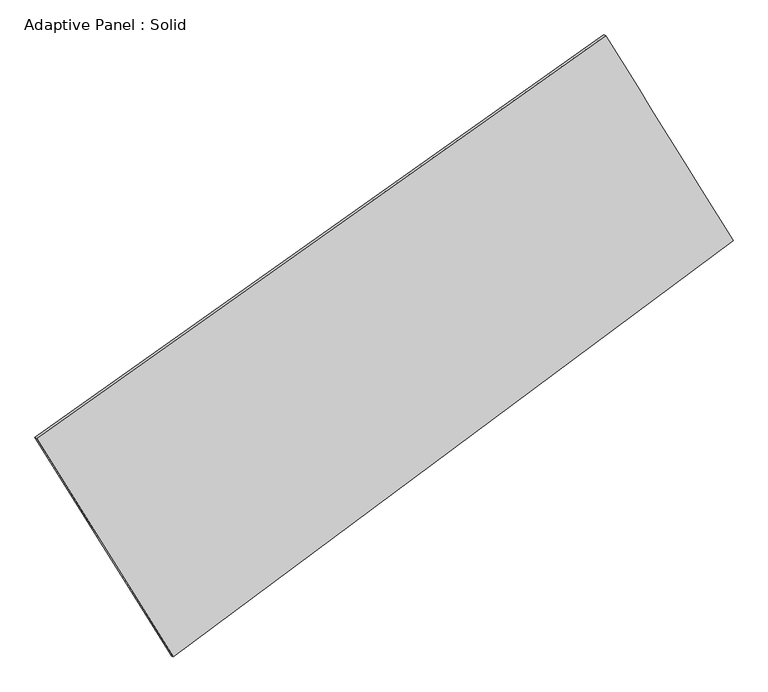
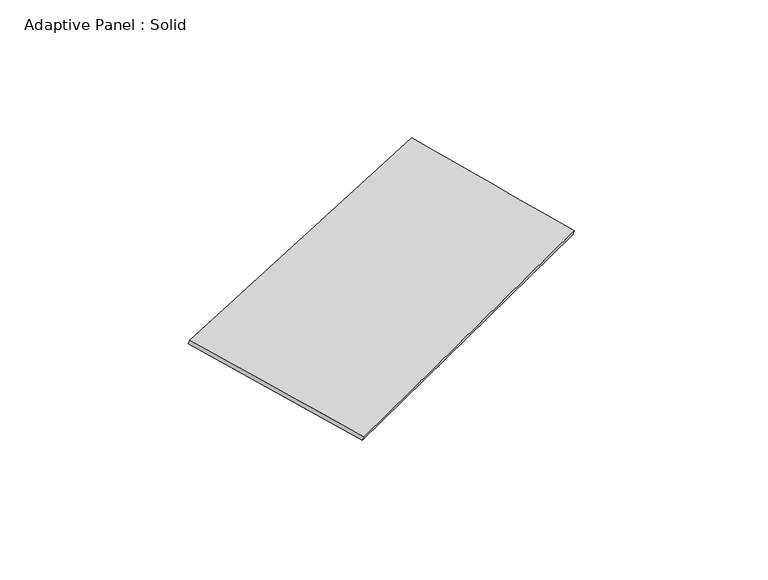
"""IFC4 building model written with IfcOpenShell, lengths in millimetres: plate geometry, Adaptive Panel : Solid."""

import ifcopenshell
import ifcopenshell.guid

model = None  # the IFC model being written
_history = None  # IfcOwnerHistory: only IFC2X3 demands one
_inside = {}  # id of a spatial element -> (the spatial element, [elements in it])
_under = {}  # id of a project, library or spatial element -> (it, [spatial elements below it])
_declared = {}  # id of a project -> (the project, [libraries it declares])
_typed = {}  # id of a type object -> (the type object, [elements of that type])
_made_of = {}  # id of a material, layer set ... -> (it, [elements and type objects made of it])


def new_model(schema):
    """Start an empty IFC model of exactly this schema.

    Asked for "IFC4X3", IfcOpenShell would pick the latest addendum, in which some entities
    have other attributes; the version numbers below select the first issue.
    IFC2X3 requires an IfcOwnerHistory on every rooted entity: one is made here for all.
    """
    global model, _history
    if schema == "IFC4X3":
        model = ifcopenshell.file(schema_version=(4, 3, 0, 0))
    else:
        model = ifcopenshell.file(schema=schema)
    _inside.clear()
    _under.clear()
    _declared.clear()
    _typed.clear()
    _made_of.clear()
    _history = None
    if model.schema == "IFC2X3":
        org = make("IfcOrganization", Name="unknown")
        user = make(
            "IfcPersonAndOrganization",
            ThePerson=make("IfcPerson", FamilyName="unknown"),
            TheOrganization=org,
        )
        app = make(
            "IfcApplication",
            ApplicationDeveloper=org,
            Version="unknown",
            ApplicationFullName="unknown",
            ApplicationIdentifier="unknown",
        )
        _history = make(
            "IfcOwnerHistory",
            OwningUser=user,
            OwningApplication=app,
            ChangeAction="ADDED",
            CreationDate=0,
        )
    return model


def make(cls, **values):
    """One entity of the class cls with the attributes given. An attribute that is None is left unset."""
    return model.create_entity(
        cls, **{name: value for name, value in values.items() if value is not None}
    )


def rooted(cls, **values):
    """An entity with a GlobalId (a new one), such as an element, a storey or a relation."""
    return make(cls, GlobalId=ifcopenshell.guid.new(), OwnerHistory=_history, **values)


def si_unit(unit_type, name, prefix=None):
    """IfcSIUnit, for example si_unit("LENGTHUNIT", "METRE", prefix="MILLI")."""
    return make("IfcSIUnit", UnitType=unit_type, Prefix=prefix, Name=name)


def assignment(units):
    """IfcUnitAssignment: the units of a project."""
    return None if units is None else make("IfcUnitAssignment", Units=units)


def point(xyz):
    """IfcCartesianPoint."""
    return None if xyz is None else make("IfcCartesianPoint", Coordinates=xyz)


def direction(xyz):
    """IfcDirection."""
    return None if xyz is None else make("IfcDirection", DirectionRatios=xyz)


def frame(location, z_axis=None, x_axis=None):
    """IfcAxis2Placement3D, a coordinate frame: its origin and axes. An axis left out is left unset."""
    return make(
        "IfcAxis2Placement3D",
        Location=point(location),
        Axis=direction(z_axis),
        RefDirection=direction(x_axis),
    )


def origin():
    """The frame at (0, 0, 0) with its axes left unset."""
    return frame((0.0, 0.0, 0.0))


def place(relative_to, where):
    """IfcLocalPlacement: puts the frame where relative to a parent placement (None: the world)."""
    return make(
        "IfcLocalPlacement", PlacementRelTo=relative_to, RelativePlacement=where
    )


def context(
    kind, dimensions, precision=None, world=None, true_north=None, identifier=None
):
    """IfcGeometricRepresentationContext, for example the 3D "Model" context."""
    return make(
        "IfcGeometricRepresentationContext",
        ContextIdentifier=identifier,
        ContextType=kind,
        CoordinateSpaceDimension=dimensions,
        Precision=precision,
        WorldCoordinateSystem=world,
        TrueNorth=true_north,
    )


def project(units=None, contexts=None):
    """IfcProject with its units and contexts."""
    return rooted(
        "IfcProject",
        Name="project",
        RepresentationContexts=contexts,
        UnitsInContext=assignment(units),
    )


def spatial(cls, under=None, at=None, **own):
    """A site, building, storey or space (cls), placed at a placement, below another one or the project."""
    s = rooted(cls, ObjectPlacement=at, **own)
    if under is not None:
        _under.setdefault(under.id(), (under, []))[1].append(s)
    return s


def shape(context_of_items, identifier, shape_type, items):
    """IfcShapeRepresentation: the items that make up one representation, for example the "Body"."""
    return make(
        "IfcShapeRepresentation",
        ContextOfItems=context_of_items,
        RepresentationIdentifier=identifier,
        RepresentationType=shape_type,
        Items=items,
    )


def source(mapping_origin, context_of_items, identifier, shape_type, items):
    """IfcRepresentationMap: a shape defined once, which mapped items show again and again."""
    return make(
        "IfcRepresentationMap",
        MappingOrigin=mapping_origin,
        MappedRepresentation=shape(context_of_items, identifier, shape_type, items),
    )


def transform(
    local_origin,
    x_axis=None,
    y_axis=None,
    z_axis=None,
    scale=None,
    scale2=None,
    scale3=None,
    uniform=True,
):
    """IfcCartesianTransformationOperator3D, or its non-uniform kind. x_axis, y_axis, z_axis: its Axis1, 2, 3."""
    if uniform:
        return make(
            "IfcCartesianTransformationOperator3D",
            Axis1=direction(x_axis),
            Axis2=direction(y_axis),
            LocalOrigin=point(local_origin),
            Scale=scale,
            Axis3=direction(z_axis),
        )
    return make(
        "IfcCartesianTransformationOperator3DnonUniform",
        Axis1=direction(x_axis),
        Axis2=direction(y_axis),
        LocalOrigin=point(local_origin),
        Scale=scale,
        Axis3=direction(z_axis),
        Scale2=scale2,
        Scale3=scale3,
    )


def mapped(mapping_source, mapping_target):
    """IfcMappedItem: shows the shape of a source again, moved by a transform."""
    return make(
        "IfcMappedItem", MappingSource=mapping_source, MappingTarget=mapping_target
    )


def made_of(thing, what):
    """Note that an element or type object is made of a material, layer set ...; save() writes the relation."""
    if what is not None:
        _made_of.setdefault(what.id(), (what, []))[1].append(thing)
    return thing


def element(
    cls,
    number,
    at=None,
    inside=None,
    cuts=None,
    type_object=None,
    material=None,
    context=None,
    identifier="Body",
    shape_type=None,
    held_by="IfcProductDefinitionShape",
    body=None,
    shapes=None,
    **own,
):
    """One element of the class cls, such as IfcWall. Its Tag is "e" and its number.

    at: its placement. inside: the storey or other place that contains it. cuts: it is an
    opening in that element (IfcRelVoidsElement). A single representation is given by context,
    identifier, shape_type and body (its items); several are given by shapes. held_by: the class
    of the entity that holds the representations. save() writes the other relations.
    """
    e = rooted(cls, Tag="e%d" % number, ObjectPlacement=at, **own)
    if body is not None:
        shapes = [shape(context, identifier, shape_type, body)]
    if shapes is not None:
        e.Representation = make(held_by, Representations=shapes)
    if inside is not None:
        _inside.setdefault(inside.id(), (inside, []))[1].append(e)
    if cuts is not None:
        rooted(
            "IfcRelVoidsElement", RelatingBuildingElement=cuts, RelatedOpeningElement=e
        )
    if type_object is not None:
        _typed.setdefault(type_object.id(), (type_object, []))[1].append(e)
    return made_of(e, material)


def aggregate(whole, parts):
    """IfcRelAggregates: a whole, such as a stair, and the parts it consists of."""
    return rooted("IfcRelAggregates", RelatingObject=whole, RelatedObjects=parts)


def save(model, path):
    """Write the relations noted so far, then the file.

    IfcRelAggregates (storeys below a building ...), IfcRelContainedInSpatialStructure (elements
    in a storey), IfcRelDefinesByType, IfcRelAssociatesMaterial and IfcRelDeclares: one each for
    every whole, place, type object, material and project.
    """
    for whole, parts in _under.values():
        aggregate(whole, parts)
    for where, things in _inside.values():
        rooted(
            "IfcRelContainedInSpatialStructure",
            RelatedElements=things,
            RelatingStructure=where,
        )
    for kind, things in _typed.values():
        rooted("IfcRelDefinesByType", RelatedObjects=things, RelatingType=kind)
    for what, things in _made_of.values():
        rooted("IfcRelAssociatesMaterial", RelatedObjects=things, RelatingMaterial=what)
    for by, libraries in _declared.values():
        rooted("IfcRelDeclares", RelatingContext=by, RelatedDefinitions=libraries)
    model.write(path)


def plane_surface(at):
    """IfcPlane: the flat surface through the origin of the frame at, square to its z axis."""
    return make("IfcPlane", Position=at)


def spline_surface(u_degree, v_degree, points, u_multiplicities, v_multiplicities, u_knots, v_knots, weights=None):
    """IfcBSplineSurfaceWithKnots; with weights, IfcRationalBSplineSurfaceWithKnots. points: one row for each step in u."""
    own = dict(
        UDegree=u_degree,
        VDegree=v_degree,
        ControlPointsList=[[point(p) for p in row] for row in points],
        SurfaceForm="UNSPECIFIED",
        UClosed=False,
        VClosed=False,
        SelfIntersect=False,
        UMultiplicities=u_multiplicities,
        VMultiplicities=v_multiplicities,
        UKnots=u_knots,
        VKnots=v_knots,
        KnotSpec="UNSPECIFIED",
    )
    if weights is None:
        return make("IfcBSplineSurfaceWithKnots", **own)
    return make("IfcRationalBSplineSurfaceWithKnots", WeightsData=weights, **own)


def advanced_brep(points, edges, surfaces, faces):
    """IfcAdvancedBrep: a solid bounded by faces that lie on surfaces and meet in shared edges.

    An edge is (start, end): straight between two places in points (the first is 0);
    or (start, end, curve); or (start, end, curve, False) where it runs against its curve.
    A face is (place in surfaces, loops), or (place, loops, False) where it looks against
    its surface's normal. A loop lists edges by number (the first is 1), with a minus sign
    where the edge is run from its end to its start. The first loop is the outer one.
    """
    corners = [point(p) for p in points]
    vertices = [make("IfcVertexPoint", VertexGeometry=c) for c in corners]
    made = []
    for start, end, *more in edges:
        made.append(
            make(
                "IfcEdgeCurve",
                EdgeStart=vertices[start],
                EdgeEnd=vertices[end],
                EdgeGeometry=more[0] if more else make("IfcPolyline", Points=[corners[start], corners[end]]),
                SameSense=more[1] if len(more) > 1 else True,
            )
        )
    hull = []
    for where, loops, *sense in faces:
        bounds = []
        for j, loop in enumerate(loops):
            ring = [make("IfcOrientedEdge", EdgeElement=made[abs(k) - 1], Orientation=k > 0) for k in loop]
            bounds.append(
                make(
                    "IfcFaceOuterBound" if j == 0 else "IfcFaceBound",
                    Bound=make("IfcEdgeLoop", EdgeList=ring),
                    Orientation=True,
                )
            )
        hull.append(make("IfcAdvancedFace", Bounds=bounds, FaceSurface=surfaces[where], SameSense=sense[0] if sense else True))
    return make("IfcAdvancedBrep", Outer=make("IfcClosedShell", CfsFaces=hull))


def adaptive_panel_solid_63aaae9e(model_context):
    return source(origin(), model_context, "Body", "AdvancedBrep", [
        advanced_brep(
        [(1165.7471096, 2456.3921258, 661.9107846), (-3565.6166793, -894.4300745, 1658.4907858), (-3550.9503235, -900.810168, 1705.8636938), (1180.4134654, 2450.0120323, 709.2836926), (-2429.0143263, -2713.0782405, 1078.088691), (-2414.3479704, -2719.458334, 1125.4615991), (2225.5933179, 750.8676164, 86.6322587), (2240.2596737, 744.487523, 134.0051667)],
        [
            (0, 1),
            (1, 2),
            (2, 3),
            (3, 0),
            (1, 4),
            (4, 5),
            (5, 2),
            (4, 6),
            (6, 7),
            (7, 5),
            (6, 0),
            (3, 7),
        ],
        [
            plane_surface(frame((-1199.9347849, 780.9810256, 1160.2007852), z_axis=(-0.5180569083343882, 0.8117112909792273, 0.26970691467563734), x_axis=(-0.8042748030552564, -0.5695993767226294, 0.1694065854907086))),
            plane_surface(frame((-2997.3155028, -1803.7541575, 1368.2897384), z_axis=(-0.808907511553888, -0.5613396658841261, 0.17483254061185013), x_axis=(0.5115777180757762, -0.8185623373221566, -0.2612354077954779))),
            plane_surface(frame((-101.7105042, -981.1053121, 582.3604749), z_axis=(0.5360754052545402, -0.7986288882446957, -0.27352341534541835), x_axis=(0.79076695280925, 0.5884865319286129, -0.16843760887464312))),
            plane_surface(frame((1695.6702137, 1603.6298711, 374.2715217), z_axis=(0.808781511025814, 0.5615418108315235, -0.1747663071385756), x_axis=(-0.5073978125628924, 0.8165141305345023, 0.2754126620979468))),
            spline_surface(1, 1, [[(-3550.9503235, -900.810168, 1705.8636938), (1180.4134654, 2450.0120323, 709.2836926)], [(-2414.3479704, -2719.458334, 1125.4615991), (2240.2596737, 744.487523, 134.0051667)]], [2, 2], [2, 2], [0.0, 1.0], [0.0, 1.0]),
            spline_surface(1, 1, [[(2225.5933179, 750.8676164, 86.6322587), (1165.7471096, 2456.3921258, 661.9107846)], [(-2429.0143263, -2713.0782405, 1078.088691), (-3565.6166793, -894.4300745, 1658.4907858)]], [2, 2], [2, 2], [0.0, 1.0], [0.0, 1.0]),
        ],
        [
            (0, [[1, 2, 3, 4]]),
            (1, [[5, 6, 7, -2]]),
            (2, [[8, 9, 10, -6]]),
            (3, [[11, -4, 12, -9]]),
            (4, [[-3, -7, -10, -12]]),
            (5, [[-11, -8, -5, -1]]),
        ],
    ),
    ])


if __name__ == "__main__":
    model = new_model("IFC4")
    model_context = context("Model", 3, world=origin())
    ifc_project = project(units=[si_unit("LENGTHUNIT", "METRE", prefix="MILLI")], contexts=[model_context])
    site = spatial("IfcSite", under=ifc_project)
    building = spatial("IfcBuilding", under=site)
    placement = place(None, origin())
    adaptive_panel_solid_shape = adaptive_panel_solid_63aaae9e(model_context)
    element("IfcPlate", 1, ObjectType="Adaptive Panel : Solid", at=placement, inside=building, context=model_context, shape_type="MappedRepresentation", body=[
        mapped(adaptive_panel_solid_shape, transform((0.0, 0.0, 0.0), x_axis=(1.0, 0.0, 0.0), y_axis=(0.0, 1.0, 0.0), z_axis=(0.0, 0.0, 1.0))),
    ])
    save(model, "model.ifc")
